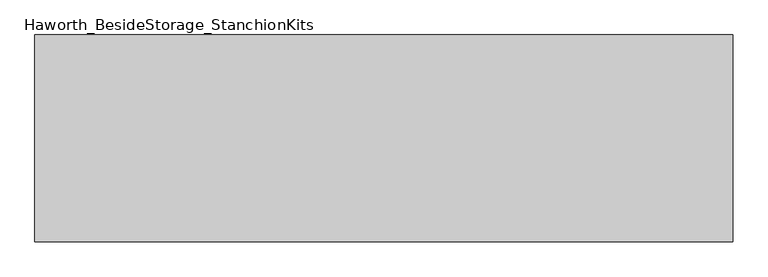
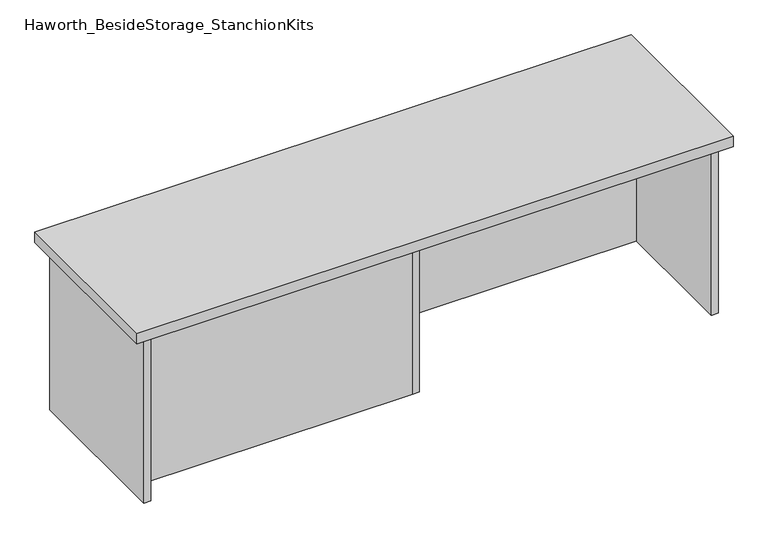
"""IFC4 building model written with IfcOpenShell, lengths in millimetres: furniture geometry, Haworth_BesideStorage_StanchionKits."""

from ifc_helpers import new_model, si_unit, frame, origin, place, context, project, spatial, polyline, outline, extrude, source, transform, mapped, element, save


def haworth_besidestorage_stanchionkits_35b85fb1(model_context):
    return source(origin(), model_context, "Body", "SweptSolid", [
        extrude(outline(polyline([(847.725, 0.0), (847.725, -406.4), (-523.875, -406.4), (-523.875, 0.0), (847.725, 0.0)])), frame((0.0, 0.0, 838.2), z_axis=(0.0, 0.0, 1.0), x_axis=(1.0, 0.0, 0.0)), (0.0, 0.0, 1.0), 25.4),
        extrude(outline(polyline([(169.8625, -76.2), (806.45, -76.2), (806.45, -92.075), (169.8625, -92.075), (169.8625, -76.2)])), frame((0.0, 0.0, 431.8), z_axis=(0.0, 0.0, 1.0), x_axis=(1.0, 0.0, 0.0)), (0.0, 0.0, 1.0), 406.4),
        extrude(outline(polyline([(153.9875, -314.325), (153.9875, -330.2), (-482.6, -330.2), (-482.6, -314.325), (153.9875, -314.325)])), frame((0.0, 0.0, 431.8), z_axis=(0.0, 0.0, 1.0), x_axis=(1.0, 0.0, 0.0)), (0.0, 0.0, 1.0), 406.4),
        extrude(outline(polyline([(169.8625, -330.2), (153.9875, -330.2), (153.9875, -76.2), (169.8625, -76.2), (169.8625, -330.2)])), frame((0.0, 0.0, 431.8), z_axis=(0.0, 0.0, 1.0), x_axis=(1.0, 0.0, 0.0)), (0.0, 0.0, 1.0), 406.4),
        extrude(outline(polyline([(822.325, -390.525), (806.45, -390.525), (806.45, -15.875), (822.325, -15.875), (822.325, -390.525)])), frame((0.0, 0.0, 431.8), z_axis=(0.0, 0.0, 1.0), x_axis=(1.0, 0.0, 0.0)), (0.0, 0.0, 1.0), 406.4),
        extrude(outline(polyline([(-482.6, -390.525), (-498.475, -390.525), (-498.475, -15.875), (-482.6, -15.875), (-482.6, -390.525)])), frame((0.0, 0.0, 431.8), z_axis=(0.0, 0.0, 1.0), x_axis=(1.0, 0.0, 0.0)), (0.0, 0.0, 1.0), 406.4),
    ])


if __name__ == "__main__":
    model = new_model("IFC4")
    model_context = context("Model", 3, world=origin())
    ifc_project = project(units=[si_unit("LENGTHUNIT", "METRE", prefix="MILLI")], contexts=[model_context])
    site = spatial("IfcSite", under=ifc_project)
    building = spatial("IfcBuilding", under=site)
    placement = place(None, origin())
    haworth_besidestorage_stanchionkits_shape = haworth_besidestorage_stanchionkits_35b85fb1(model_context)
    element("IfcFurniture", 1, ObjectType="Haworth_BesideStorage_StanchionKits", at=placement, inside=building, context=model_context, shape_type="MappedRepresentation", body=[
        mapped(haworth_besidestorage_stanchionkits_shape, transform((0.0, 0.0, 0.0), x_axis=(1.0, 0.0, 0.0), y_axis=(0.0, 1.0, 0.0), z_axis=(0.0, 0.0, 1.0))),
    ])
    save(model, "model.ifc")
